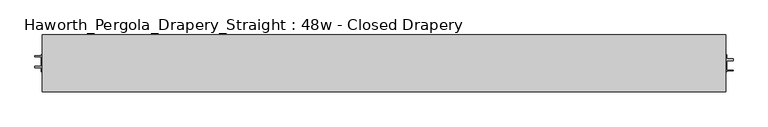
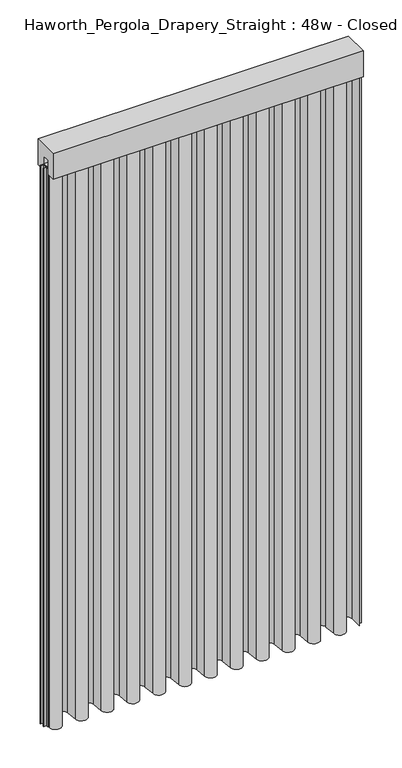
"""IFC4 building model written with IfcOpenShell, lengths in millimetres: furniture geometry, Haworth_Pergola_Drapery_Straight : 48w - Closed Drapery."""

from ifc_helpers import new_model, si_unit, point, frame, frame_2d, origin, place, context, project, spatial, polyline, circle_curve, trimmed, segment, composite_curve, outline, extrude, source, transform, mapped, element, save


def haworth_pergola_drapery_straight_48w_closed_drapery_7353dc1d(model_context):
    return source(origin(), model_context, "Body", "SweptSolid", [
        extrude(outline(polyline([(-50.8, 2438.4), (50.8, 2438.4), (50.8, 2331.8390625), (15.2182948, 2331.8390625), (15.2182948, 2388.7001663), (-15.2182948, 2388.7001663), (-15.2182948, 2331.8390625), (-50.8, 2331.8390625), (-50.8, 2438.4)])), frame((-1790.7, 0.0, 0.0), z_axis=(1.0, 0.0, 0.0), x_axis=(0.0, 1.0, 0.0)), (0.0, 0.0, 1.0), 1219.2),
        extrude(outline(composite_curve([segment(polyline([(-1788.7, -20.9840165), (-1788.7, 25.4000008), (-1787.90625, 25.4000008), (-1787.90625, -20.9840165)]), True, "CONTINUOUS"), segment(trimmed(circle_curve(frame_2d((-1765.2970217, -20.9840165)), 22.6092283), [point((-1787.90625, -20.9840165))], [point((-1742.779759, -23.0211916))], True, "CARTESIAN"), True, "CONTINUOUS"), segment(polyline([(-1742.779759, -23.0211916), (-1738.5801015, 23.3983779)]), True, "CONTINUOUS"), segment(trimmed(circle_curve(frame_2d((-1714.5, 21.2198101)), 24.17845), [point((-1738.5801015, 23.3983779))], [point((-1690.4198983, 23.3983756))], False, "CARTESIAN"), True, "CONTINUOUS"), segment(polyline([(-1690.4198983, 23.3983756), (-1686.2298605, -22.9149155)]), True, "CONTINUOUS"), segment(trimmed(circle_curve(frame_2d((-1663.7000023, -20.876603)), 22.621875), [point((-1686.2298605, -22.9149155))], [point((-1641.1701443, -22.9149177))], True, "CARTESIAN"), True, "CONTINUOUS"), segment(polyline([(-1641.1701443, -22.9149177), (-1637.0109007, 23.0579488)]), True, "CONTINUOUS"), segment(trimmed(circle_curve(frame_2d((-1612.9, 20.8765946)), 24.209375), [point((-1637.0109007, 23.0579488))], [point((-1588.7890991, 23.0579465))], False, "CARTESIAN"), True, "CONTINUOUS"), segment(polyline([(-1588.7890991, 23.0579465), (-1584.6298605, -22.9149157)]), True, "CONTINUOUS"), segment(trimmed(circle_curve(frame_2d((-1562.1000023, -20.8766032)), 22.621875), [point((-1584.6298605, -22.9149157))], [point((-1539.5701443, -22.9149178))], True, "CARTESIAN"), True, "CONTINUOUS"), segment(polyline([(-1539.5701443, -22.9149178), (-1535.4109007, 23.0579492)]), True, "CONTINUOUS"), segment(trimmed(circle_curve(frame_2d((-1511.3, 20.876595)), 24.209375), [point((-1535.4109007, 23.0579492))], [point((-1487.1890991, 23.0579469))], False, "CARTESIAN"), True, "CONTINUOUS"), segment(polyline([(-1487.1890991, 23.0579469), (-1483.0298605, -22.9149155)]), True, "CONTINUOUS"), segment(trimmed(circle_curve(frame_2d((-1460.5000023, -20.876603)), 22.621875), [point((-1483.0298605, -22.9149155))], [point((-1437.9701443, -22.9149177))], True, "CARTESIAN"), True, "CONTINUOUS"), segment(polyline([(-1437.9701443, -22.9149177), (-1433.7801015, 23.3983779)]), True, "CONTINUOUS"), segment(trimmed(circle_curve(frame_2d((-1409.7, 21.2198101)), 24.17845), [point((-1433.7801015, 23.3983779))], [point((-1385.6198983, 23.3983756))], False, "CARTESIAN"), True, "CONTINUOUS"), segment(polyline([(-1385.6198983, 23.3983756), (-1381.4298605, -22.9149155)]), True, "CONTINUOUS"), segment(trimmed(circle_curve(frame_2d((-1358.9000023, -20.876603)), 22.621875), [point((-1381.4298605, -22.9149155))], [point((-1336.3701443, -22.9149177))], True, "CARTESIAN"), True, "CONTINUOUS"), segment(polyline([(-1336.3701443, -22.9149177), (-1332.1801015, 23.3983779)]), True, "CONTINUOUS"), segment(trimmed(circle_curve(frame_2d((-1308.1, 21.2198101)), 24.17845), [point((-1332.1801015, 23.3983779))], [point((-1284.0198983, 23.3983756))], False, "CARTESIAN"), True, "CONTINUOUS"), segment(polyline([(-1284.0198983, 23.3983756), (-1279.8298605, -22.9149155)]), True, "CONTINUOUS"), segment(trimmed(circle_curve(frame_2d((-1257.3000023, -20.876603)), 22.621875), [point((-1279.8298605, -22.9149155))], [point((-1234.7701443, -22.9149177))], True, "CARTESIAN"), True, "CONTINUOUS"), segment(polyline([(-1234.7701443, -22.9149177), (-1230.5801015, 23.3983779)]), True, "CONTINUOUS"), segment(trimmed(circle_curve(frame_2d((-1206.5, 21.2198101)), 24.17845), [point((-1230.5801015, 23.3983779))], [point((-1182.4198983, 23.3983756))], False, "CARTESIAN"), True, "CONTINUOUS"), segment(polyline([(-1182.4198983, 23.3983756), (-1178.2298605, -22.9149155)]), True, "CONTINUOUS"), segment(trimmed(circle_curve(frame_2d((-1155.7000023, -20.876603)), 22.621875), [point((-1178.2298605, -22.9149155))], [point((-1133.1701443, -22.9149177))], True, "CARTESIAN"), True, "CONTINUOUS"), segment(polyline([(-1133.1701443, -22.9149177), (-1128.9801015, 23.3983779)]), True, "CONTINUOUS"), segment(trimmed(circle_curve(frame_2d((-1104.9, 21.2198101)), 24.17845), [point((-1128.9801015, 23.3983779))], [point((-1080.8198983, 23.3983756))], False, "CARTESIAN"), True, "CONTINUOUS"), segment(polyline([(-1080.8198983, 23.3983756), (-1076.6298605, -22.9149155)]), True, "CONTINUOUS"), segment(trimmed(circle_curve(frame_2d((-1054.1000023, -20.876603)), 22.621875), [point((-1076.6298605, -22.9149155))], [point((-1031.5701443, -22.9149177))], True, "CARTESIAN"), True, "CONTINUOUS"), segment(polyline([(-1031.5701443, -22.9149177), (-1027.3801015, 23.3983779)]), True, "CONTINUOUS"), segment(trimmed(circle_curve(frame_2d((-1003.3, 21.2198101)), 24.17845), [point((-1027.3801015, 23.3983779))], [point((-979.2198983, 23.3983756))], False, "CARTESIAN"), True, "CONTINUOUS"), segment(polyline([(-979.2198983, 23.3983756), (-975.0298605, -22.9149155)]), True, "CONTINUOUS"), segment(trimmed(circle_curve(frame_2d((-952.5000023, -20.876603)), 22.621875), [point((-975.0298605, -22.9149155))], [point((-929.9701443, -22.9149177))], True, "CARTESIAN"), True, "CONTINUOUS"), segment(polyline([(-929.9701443, -22.9149177), (-925.7801015, 23.3983779)]), True, "CONTINUOUS"), segment(trimmed(circle_curve(frame_2d((-901.7, 21.2198101)), 24.17845), [point((-925.7801015, 23.3983779))], [point((-877.6198983, 23.3983756))], False, "CARTESIAN"), True, "CONTINUOUS"), segment(polyline([(-877.6198983, 23.3983756), (-873.4298605, -22.9149155)]), True, "CONTINUOUS"), segment(trimmed(circle_curve(frame_2d((-850.9000023, -20.876603)), 22.621875), [point((-873.4298605, -22.9149155))], [point((-828.3701443, -22.9149177))], True, "CARTESIAN"), True, "CONTINUOUS"), segment(polyline([(-828.3701443, -22.9149177), (-824.1801015, 23.3983779)]), True, "CONTINUOUS"), segment(trimmed(circle_curve(frame_2d((-800.1, 21.2198101)), 24.17845), [point((-824.1801015, 23.3983779))], [point((-776.0198983, 23.3983756))], False, "CARTESIAN"), True, "CONTINUOUS"), segment(polyline([(-776.0198983, 23.3983756), (-771.8298605, -22.9149155)]), True, "CONTINUOUS"), segment(trimmed(circle_curve(frame_2d((-749.3000023, -20.876603)), 22.621875), [point((-771.8298605, -22.9149155))], [point((-726.7701443, -22.9149177))], True, "CARTESIAN"), True, "CONTINUOUS"), segment(polyline([(-726.7701443, -22.9149177), (-722.5801015, 23.3983779)]), True, "CONTINUOUS"), segment(trimmed(circle_curve(frame_2d((-698.5, 21.2198101)), 24.17845), [point((-722.5801015, 23.3983779))], [point((-674.4198983, 23.3983756))], False, "CARTESIAN"), True, "CONTINUOUS"), segment(polyline([(-674.4198983, 23.3983756), (-670.2298605, -22.9149155)]), True, "CONTINUOUS"), segment(trimmed(circle_curve(frame_2d((-647.7000023, -20.876603)), 22.621875), [point((-670.2298605, -22.9149155))], [point((-625.1701443, -22.9149177))], True, "CARTESIAN"), True, "CONTINUOUS"), segment(polyline([(-625.1701443, -22.9149177), (-620.9906181, 23.2821359)]), True, "CONTINUOUS"), segment(trimmed(circle_curve(frame_2d((-596.9451118, 21.106698)), 24.1437135), [point((-620.9906181, 23.2821359))], [point((-572.8013983, 21.106698))], False, "CARTESIAN"), True, "CONTINUOUS"), segment(polyline([(-572.8013983, 21.106698), (-572.8013983, -25.4000007), (-573.5951483, -25.4000007), (-573.5951483, 21.106698)]), True, "CONTINUOUS"), segment(trimmed(circle_curve(frame_2d((-596.9451118, 21.106698)), 23.3499635), [point((-573.5951483, 21.106698))], [point((-620.2000968, 23.2106161))], True, "CARTESIAN"), True, "CONTINUOUS"), segment(polyline([(-620.2000968, 23.2106161), (-624.3796229, -22.9864375)]), True, "CONTINUOUS"), segment(trimmed(circle_curve(frame_2d((-647.7000023, -20.876603)), 23.415625), [point((-624.3796229, -22.9864375))], [point((-671.0203818, -22.9864352))], False, "CARTESIAN"), True, "CONTINUOUS"), segment(polyline([(-671.0203818, -22.9864352), (-675.2104196, 23.3268558)]), True, "CONTINUOUS"), segment(trimmed(circle_curve(frame_2d((-698.5, 21.2198101)), 23.3847), [point((-675.2104196, 23.3268558))], [point((-721.7895802, 23.3268581))], True, "CARTESIAN"), True, "CONTINUOUS"), segment(polyline([(-721.7895802, 23.3268581), (-725.9796229, -22.9864375)]), True, "CONTINUOUS"), segment(trimmed(circle_curve(frame_2d((-749.3000023, -20.876603)), 23.415625), [point((-725.9796229, -22.9864375))], [point((-772.6203818, -22.9864352))], False, "CARTESIAN"), True, "CONTINUOUS"), segment(polyline([(-772.6203818, -22.9864352), (-776.8104196, 23.3268558)]), True, "CONTINUOUS"), segment(trimmed(circle_curve(frame_2d((-800.1, 21.2198101)), 23.3847), [point((-776.8104196, 23.3268558))], [point((-823.3895802, 23.3268581))], True, "CARTESIAN"), True, "CONTINUOUS"), segment(polyline([(-823.3895802, 23.3268581), (-827.5796229, -22.9864375)]), True, "CONTINUOUS"), segment(trimmed(circle_curve(frame_2d((-850.9000023, -20.876603)), 23.415625), [point((-827.5796229, -22.9864375))], [point((-874.2203818, -22.9864352))], False, "CARTESIAN"), True, "CONTINUOUS"), segment(polyline([(-874.2203818, -22.9864352), (-878.4104196, 23.3268558)]), True, "CONTINUOUS"), segment(trimmed(circle_curve(frame_2d((-901.7, 21.2198101)), 23.3847), [point((-878.4104196, 23.3268558))], [point((-924.9895802, 23.3268581))], True, "CARTESIAN"), True, "CONTINUOUS"), segment(polyline([(-924.9895802, 23.3268581), (-929.1796229, -22.9864375)]), True, "CONTINUOUS"), segment(trimmed(circle_curve(frame_2d((-952.5000023, -20.876603)), 23.415625), [point((-929.1796229, -22.9864375))], [point((-975.8203818, -22.9864352))], False, "CARTESIAN"), True, "CONTINUOUS"), segment(polyline([(-975.8203818, -22.9864352), (-980.0104196, 23.3268558)]), True, "CONTINUOUS"), segment(trimmed(circle_curve(frame_2d((-1003.3, 21.2198101)), 23.3847), [point((-980.0104196, 23.3268558))], [point((-1026.5895802, 23.3268581))], True, "CARTESIAN"), True, "CONTINUOUS"), segment(polyline([(-1026.5895802, 23.3268581), (-1030.7796229, -22.9864375)]), True, "CONTINUOUS"), segment(trimmed(circle_curve(frame_2d((-1054.1000023, -20.876603)), 23.415625), [point((-1030.7796229, -22.9864375))], [point((-1077.4203818, -22.9864352))], False, "CARTESIAN"), True, "CONTINUOUS"), segment(polyline([(-1077.4203818, -22.9864352), (-1081.6104196, 23.3268558)]), True, "CONTINUOUS"), segment(trimmed(circle_curve(frame_2d((-1104.9, 21.2198101)), 23.3847), [point((-1081.6104196, 23.3268558))], [point((-1128.1895802, 23.3268581))], True, "CARTESIAN"), True, "CONTINUOUS"), segment(polyline([(-1128.1895802, 23.3268581), (-1132.3796229, -22.9864375)]), True, "CONTINUOUS"), segment(trimmed(circle_curve(frame_2d((-1155.7000023, -20.876603)), 23.415625), [point((-1132.3796229, -22.9864375))], [point((-1179.0203818, -22.9864352))], False, "CARTESIAN"), True, "CONTINUOUS"), segment(polyline([(-1179.0203818, -22.9864352), (-1183.2104196, 23.3268558)]), True, "CONTINUOUS"), segment(trimmed(circle_curve(frame_2d((-1206.5, 21.2198101)), 23.3847), [point((-1183.2104196, 23.3268558))], [point((-1229.7895802, 23.3268581))], True, "CARTESIAN"), True, "CONTINUOUS"), segment(polyline([(-1229.7895802, 23.3268581), (-1233.9796229, -22.9864375)]), True, "CONTINUOUS"), segment(trimmed(circle_curve(frame_2d((-1257.3000023, -20.876603)), 23.415625), [point((-1233.9796229, -22.9864375))], [point((-1280.6203818, -22.9864352))], False, "CARTESIAN"), True, "CONTINUOUS"), segment(polyline([(-1280.6203818, -22.9864352), (-1284.8104196, 23.3268558)]), True, "CONTINUOUS"), segment(trimmed(circle_curve(frame_2d((-1308.1, 21.2198101)), 23.3847), [point((-1284.8104196, 23.3268558))], [point((-1331.3895802, 23.3268581))], True, "CARTESIAN"), True, "CONTINUOUS"), segment(polyline([(-1331.3895802, 23.3268581), (-1335.5796229, -22.9864375)]), True, "CONTINUOUS"), segment(trimmed(circle_curve(frame_2d((-1358.9000023, -20.876603)), 23.415625), [point((-1335.5796229, -22.9864375))], [point((-1382.2203818, -22.9864352))], False, "CARTESIAN"), True, "CONTINUOUS"), segment(polyline([(-1382.2203818, -22.9864352), (-1386.4104196, 23.3268558)]), True, "CONTINUOUS"), segment(trimmed(circle_curve(frame_2d((-1409.7, 21.2198101)), 23.3847), [point((-1386.4104196, 23.3268558))], [point((-1432.9895802, 23.3268581))], True, "CARTESIAN"), True, "CONTINUOUS"), segment(polyline([(-1432.9895802, 23.3268581), (-1437.1796229, -22.9864375)]), True, "CONTINUOUS"), segment(trimmed(circle_curve(frame_2d((-1460.5000023, -20.876603)), 23.415625), [point((-1437.1796229, -22.9864375))], [point((-1483.8203818, -22.9864352))], False, "CARTESIAN"), True, "CONTINUOUS"), segment(polyline([(-1483.8203818, -22.9864352), (-1487.9796205, 22.9864271)]), True, "CONTINUOUS"), segment(trimmed(circle_curve(frame_2d((-1511.3, 20.876595)), 23.415625), [point((-1487.9796205, 22.9864271))], [point((-1534.6203794, 22.9864294))], True, "CARTESIAN"), True, "CONTINUOUS"), segment(polyline([(-1534.6203794, 22.9864294), (-1538.7796229, -22.9864377)]), True, "CONTINUOUS"), segment(trimmed(circle_curve(frame_2d((-1562.1000023, -20.8766032)), 23.415625), [point((-1538.7796229, -22.9864377))], [point((-1585.4203818, -22.9864354))], False, "CARTESIAN"), True, "CONTINUOUS"), segment(polyline([(-1585.4203818, -22.9864354), (-1589.5796205, 22.9864268)]), True, "CONTINUOUS"), segment(trimmed(circle_curve(frame_2d((-1612.9, 20.8765946)), 23.415625), [point((-1589.5796205, 22.9864268))], [point((-1636.2203794, 22.986429))], True, "CARTESIAN"), True, "CONTINUOUS"), segment(polyline([(-1636.2203794, 22.986429), (-1640.3796229, -22.9864375)]), True, "CONTINUOUS"), segment(trimmed(circle_curve(frame_2d((-1663.7000023, -20.876603)), 23.415625), [point((-1640.3796229, -22.9864375))], [point((-1687.0203818, -22.9864352))], False, "CARTESIAN"), True, "CONTINUOUS"), segment(polyline([(-1687.0203818, -22.9864352), (-1691.2104196, 23.3268558)]), True, "CONTINUOUS"), segment(trimmed(circle_curve(frame_2d((-1714.5, 21.2198101)), 23.3847), [point((-1691.2104196, 23.3268558))], [point((-1737.7895802, 23.3268581))], True, "CARTESIAN"), True, "CONTINUOUS"), segment(polyline([(-1737.7895802, 23.3268581), (-1741.9892377, -23.0927114)]), True, "CONTINUOUS"), segment(trimmed(circle_curve(frame_2d((-1765.2970217, -20.9840165)), 23.4029783), [point((-1741.9892377, -23.0927114))], [point((-1788.7, -20.9840165))], False, "CARTESIAN"), True, "CONTINUOUS")], self_intersect=False)), frame((0.0, 0.0, 38.1), z_axis=(0.0, 0.0, 1.0), x_axis=(1.0, 0.0, 0.0)), (0.0, 0.0, 1.0), 2305.05),
        extrude(outline(polyline([(-1790.7, -15.2249995), (-1790.7, 15.2249996), (-571.5, 15.2249996), (-571.5, -15.2249995), (-1790.7, -15.2249995)])), frame((0.0, 0.0, 2355.85), z_axis=(0.0, 0.0, 1.0), x_axis=(1.0, 0.0, 0.0)), (0.0, 0.0, 1.0), 1.7500385),
        extrude(outline(polyline([(-571.5, -15.2249996), (-571.5, 15.2249995), (-569.7499999, 15.2249995), (-569.7499999, 7.8249998), (-558.1000003, 7.8249998), (-558.1000003, 4.8250001), (-569.7499999, 4.8250001), (-569.7499999, -11.8250005), (-558.2500003, -11.8250005), (-558.2500003, -13.3999997), (-569.7499999, -13.3999997), (-569.7499999, -15.2249996), (-571.5, -15.2249996)])), frame((0.0, 0.0, 38.1), z_axis=(0.0, 0.0, 1.0), x_axis=(1.0, 0.0, 0.0)), (0.0, 0.0, 1.0), 2317.75),
        extrude(outline(polyline([(-1790.7, 15.2249996), (-1790.7, -15.2249995), (-1792.4500001, -15.2249995), (-1792.4500001, -7.8249998), (-1804.0999997, -7.8249998), (-1804.0999997, -4.8250001), (-1792.4500001, -4.8250001), (-1792.4500001, 11.8250005), (-1803.9499997, 11.8250005), (-1803.9499997, 13.3999997), (-1792.4500001, 13.3999997), (-1792.4500001, 15.2249996), (-1790.7, 15.2249996)])), frame((0.0, 0.0, 38.1), z_axis=(0.0, 0.0, 1.0), x_axis=(1.0, 0.0, 0.0)), (0.0, 0.0, 1.0), 2317.75),
        extrude(outline(composite_curve([segment(trimmed(circle_curve(frame_2d((-1181.1, 0.0)), 6.0), [point((-1187.1, 0.0))], [point((-1175.1, 0.0))], False, "CARTESIAN"), True, "CONTINUOUS"), segment(trimmed(circle_curve(frame_2d((-1181.1, 0.0)), 6.0), [point((-1175.1, 0.0))], [point((-1187.1, 0.0))], False, "CARTESIAN"), True, "CONTINUOUS")], self_intersect=False)), frame((0.0, 0.0, 2319.1390625), z_axis=(0.0, 0.0, 1.0), x_axis=(1.0, 0.0, 0.0)), (0.0, 0.0, 1.0), 36.7109375),
    ])


if __name__ == "__main__":
    model = new_model("IFC4")
    model_context = context("Model", 3, world=origin())
    ifc_project = project(units=[si_unit("LENGTHUNIT", "METRE", prefix="MILLI")], contexts=[model_context])
    site = spatial("IfcSite", under=ifc_project)
    building = spatial("IfcBuilding", under=site)
    placement = place(None, origin())
    haworth_pergola_drapery_straight_48w_closed_drapery_shape = haworth_pergola_drapery_straight_48w_closed_drapery_7353dc1d(model_context)
    element("IfcFurniture", 1, ObjectType="Haworth_Pergola_Drapery_Straight : 48w - Closed Drapery", at=placement, inside=building, context=model_context, shape_type="MappedRepresentation", body=[
        mapped(haworth_pergola_drapery_straight_48w_closed_drapery_shape, transform((0.0, 0.0, 0.0), x_axis=(1.0, 0.0, 0.0), y_axis=(0.0, 1.0, 0.0), z_axis=(0.0, 0.0, 1.0))),
    ])
    save(model, "model.ifc")
